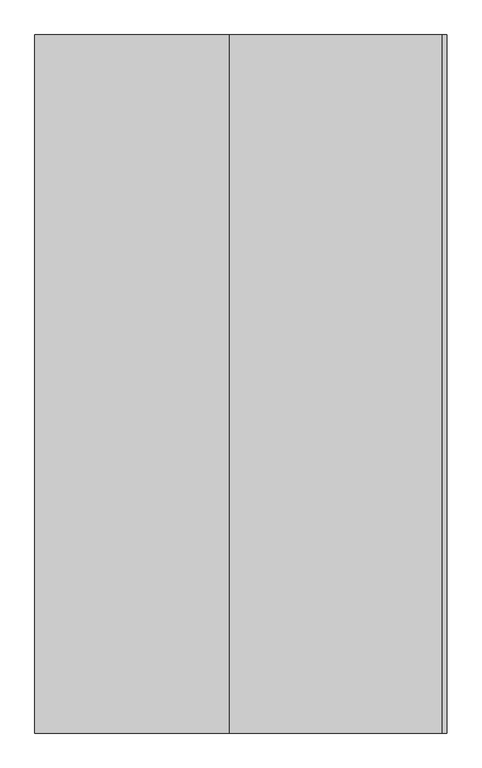
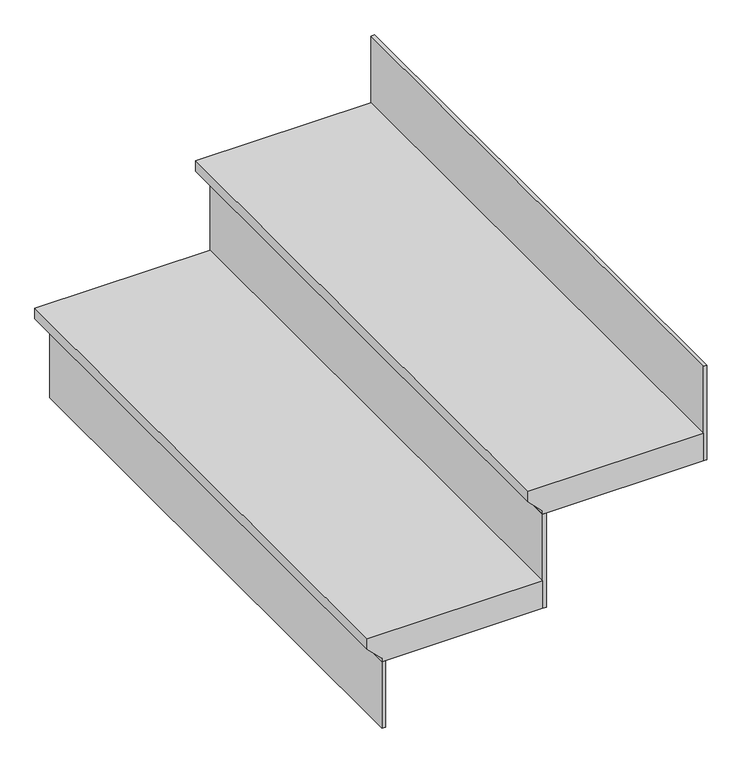
"""IFC4 building model written with IfcOpenShell, lengths in millimetres: stair flight geometry."""

from ifc_helpers import new_model, si_unit, frame, origin, origin_with_axes, place, context, project, spatial, polyline, outline, extrude, source, transform, mapped, element, save


def stair_flight_6b37a1be(model_context):
    return source(origin(), model_context, "Body", "SweptSolid", [
        extrude(outline(polyline([(173.1578947, -7160.0197666), (173.1578947, -7464.8197666), (154.1078947, -7464.8197666), (128.7078947, -7439.4197666), (122.3578947, -7439.4197666), (122.3578947, -7160.0197666), (173.1578947, -7160.0197666)])), frame((0.0, -3753.3025722, 0.0), z_axis=(0.0, 1.0, 0.0), x_axis=(0.0, 0.0, 1.0)), (0.0, 0.0, 1.0), 1000.0),
        extrude(outline(polyline([(-7433.0697666, -3753.3025722), (-7439.4197666, -3753.3025722), (-7439.4197666, -2753.3025722), (-7433.0697666, -2753.3025722), (-7433.0697666, -3753.3025722)])), origin_with_axes(), (0.0, 0.0, 1.0), 122.3578947),
        extrude(outline(polyline([(346.3157895, -6880.6197666), (346.3157895, -7185.4197666), (327.2657895, -7185.4197666), (301.8657895, -7160.0197666), (295.5157895, -7160.0197666), (295.5157895, -6880.6197666), (346.3157895, -6880.6197666)])), frame((0.0, -3753.3025722, 0.0), z_axis=(0.0, 1.0, 0.0), x_axis=(0.0, 0.0, 1.0)), (0.0, 0.0, 1.0), 1000.0),
        extrude(outline(polyline([(-7153.6697666, -3753.3025722), (-7160.0197666, -3753.3025722), (-7160.0197666, -2753.3025722), (-7153.6697666, -2753.3025722), (-7153.6697666, -3753.3025722)])), frame((0.0, 0.0, 122.3578947), z_axis=(0.0, 0.0, 1.0), x_axis=(1.0, 0.0, 0.0)), (0.0, 0.0, 1.0), 173.1578947),
        extrude(outline(polyline([(-6874.2697666, -3753.3025722), (-6880.6197666, -3753.3025722), (-6880.6197666, -2753.3025722), (-6874.2697666, -2753.3025722), (-6874.2697666, -3753.3025722)])), frame((0.0, 0.0, 295.5157895), z_axis=(0.0, 0.0, 1.0), x_axis=(1.0, 0.0, 0.0)), (0.0, 0.0, 1.0), 173.1578947),
    ])


if __name__ == "__main__":
    model = new_model("IFC4")
    model_context = context("Model", 3, world=origin())
    ifc_project = project(units=[si_unit("LENGTHUNIT", "METRE", prefix="MILLI")], contexts=[model_context])
    site = spatial("IfcSite", under=ifc_project)
    building = spatial("IfcBuilding", under=site)
    placement = place(None, origin())
    stair_flight_shape = stair_flight_6b37a1be(model_context)
    element("IfcStairFlight", 1, at=placement, inside=building, context=model_context, shape_type="MappedRepresentation", body=[
        mapped(stair_flight_shape, transform((0.0, 0.0, 0.0), x_axis=(1.0, 0.0, 0.0), y_axis=(0.0, 1.0, 0.0), z_axis=(0.0, 0.0, 1.0))),
    ])
    save(model, "model.ifc")
